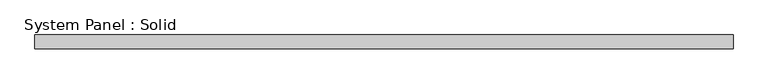
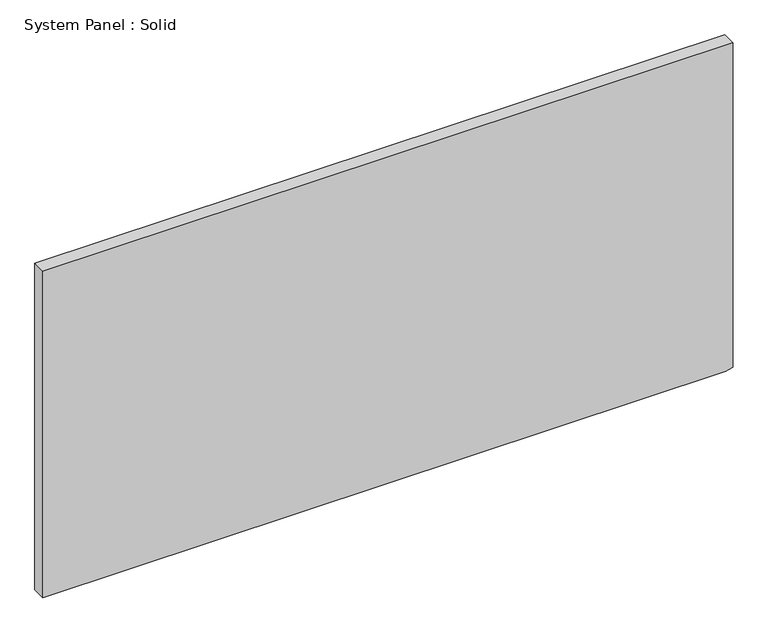
"""IFC4 building model written with IfcOpenShell, lengths in millimetres: plate geometry, System Panel : Solid."""

from ifc_helpers import new_model, si_unit, frame, origin, place, context, project, spatial, polyline, outline, extrude, source, transform, mapped, element, save


def system_panel_solid_4effa84e(model_context):
    return source(origin(), model_context, "Body", "SweptSolid", [
        extrude(outline(polyline([(0.0, -1500.0), (0.0, 1470.8716582), (8.7555048, 1500.0), (1500.0, 1500.0), (1500.0, -1500.0), (0.0, -1500.0)])), frame((0.0, -10.5, 0.0), z_axis=(0.0, 1.0, 0.0), x_axis=(0.0, 0.0, 1.0)), (0.0, 0.0, 1.0), 60.0),
    ])


if __name__ == "__main__":
    model = new_model("IFC4")
    model_context = context("Model", 3, world=origin())
    ifc_project = project(units=[si_unit("LENGTHUNIT", "METRE", prefix="MILLI")], contexts=[model_context])
    site = spatial("IfcSite", under=ifc_project)
    building = spatial("IfcBuilding", under=site)
    placement = place(None, origin())
    system_panel_solid_shape = system_panel_solid_4effa84e(model_context)
    element("IfcPlate", 1, ObjectType="System Panel : Solid", at=placement, inside=building, context=model_context, shape_type="MappedRepresentation", body=[
        mapped(system_panel_solid_shape, transform((0.0, 0.0, 0.0), x_axis=(1.0, 0.0, 0.0), y_axis=(0.0, 1.0, 0.0), z_axis=(0.0, 0.0, 1.0))),
    ])
    save(model, "model.ifc")
